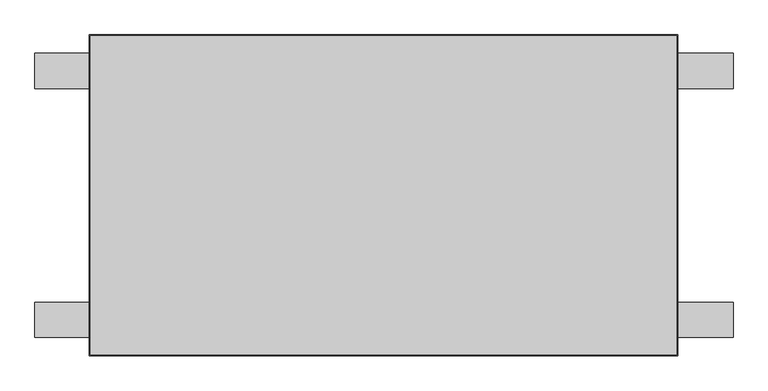
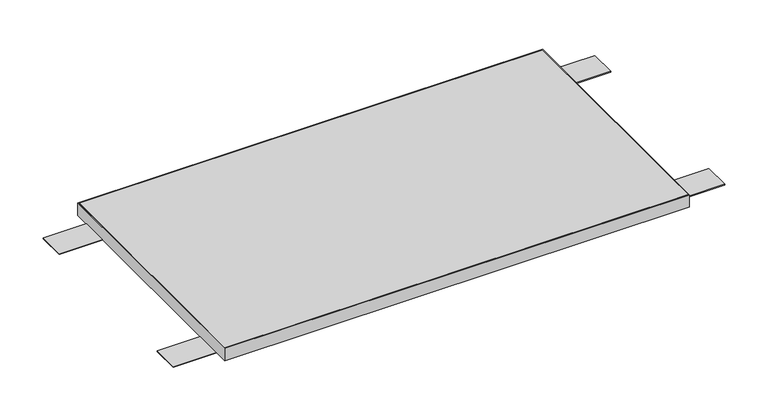
"""IFC4 building model written with IfcOpenShell, lengths in millimetres: furniture geometry."""

from ifc_helpers import new_model, si_unit, frame, origin, place, context, project, spatial, polyline, outline, extrude, source, transform, mapped, element, save


def furniture_98f6698b(model_context):
    return source(origin(), model_context, "Body", "SweptSolid", [
        extrude(outline(polyline([(206.375, 349.25), (403.225, 349.25), (403.225, 285.75), (206.375, 285.75), (206.375, 349.25)])), frame((0.0, 0.0, 704.9262), z_axis=(0.0, 0.0, 1.0), x_axis=(1.0, 0.0, 0.0)), (0.0, 0.0, 1.0), 2.0828),
        extrude(outline(polyline([(206.375, 800.1), (403.225, 800.1), (403.225, 736.6), (206.375, 736.6), (206.375, 800.1)])), frame((0.0, 0.0, 704.9262), z_axis=(0.0, 0.0, 1.0), x_axis=(1.0, 0.0, 0.0)), (0.0, 0.0, 1.0), 2.0828),
        extrude(outline(polyline([(-858.901, 349.25), (-662.051, 349.25), (-662.051, 285.75), (-858.901, 285.75), (-858.901, 349.25)])), frame((0.0, 0.0, 704.9262), z_axis=(0.0, 0.0, 1.0), x_axis=(1.0, 0.0, 0.0)), (0.0, 0.0, 1.0), 2.0828),
        extrude(outline(polyline([(-858.901, 800.1), (-662.051, 800.1), (-662.051, 736.6), (-858.901, 736.6), (-858.901, 800.1)])), frame((0.0, 0.0, 704.9262), z_axis=(0.0, 0.0, 1.0), x_axis=(1.0, 0.0, 0.0)), (0.0, 0.0, 1.0), 2.0828),
        extrude(outline(polyline([(301.6758, 831.9008), (301.6758, 253.9492), (-758.8758, 253.9492), (-758.8758, 831.9008), (301.6758, 831.9008)])), frame((0.0, 0.0, 707.009), z_axis=(0.0, 0.0, 1.0), x_axis=(1.0, 0.0, 0.0)), (0.0, 0.0, 1.0), 29.591),
        extrude(outline(polyline([(303.2633, 252.3617), (-760.4633, 252.3617), (-760.4633, 833.4883), (303.2633, 833.4883), (303.2633, 252.3617)]), holes=[polyline([(301.6758, 831.9008), (-758.8758, 831.9008), (-758.8758, 253.9492), (301.6758, 253.9492), (301.6758, 831.9008)])]), frame((0.0, 0.0, 707.009), z_axis=(0.0, 0.0, 1.0), x_axis=(1.0, 0.0, 0.0)), (0.0, 0.0, 1.0), 29.591),
    ])


if __name__ == "__main__":
    model = new_model("IFC4")
    model_context = context("Model", 3, world=origin())
    ifc_project = project(units=[si_unit("LENGTHUNIT", "METRE", prefix="MILLI")], contexts=[model_context])
    site = spatial("IfcSite", under=ifc_project)
    building = spatial("IfcBuilding", under=site)
    placement = place(None, origin())
    furniture_shape = furniture_98f6698b(model_context)
    element("IfcFurniture", 1, at=placement, inside=building, context=model_context, shape_type="MappedRepresentation", body=[
        mapped(furniture_shape, transform((0.0, 0.0, 0.0), x_axis=(1.0, 0.0, 0.0), y_axis=(0.0, 1.0, 0.0), z_axis=(0.0, 0.0, 1.0))),
    ])
    save(model, "model.ifc")
